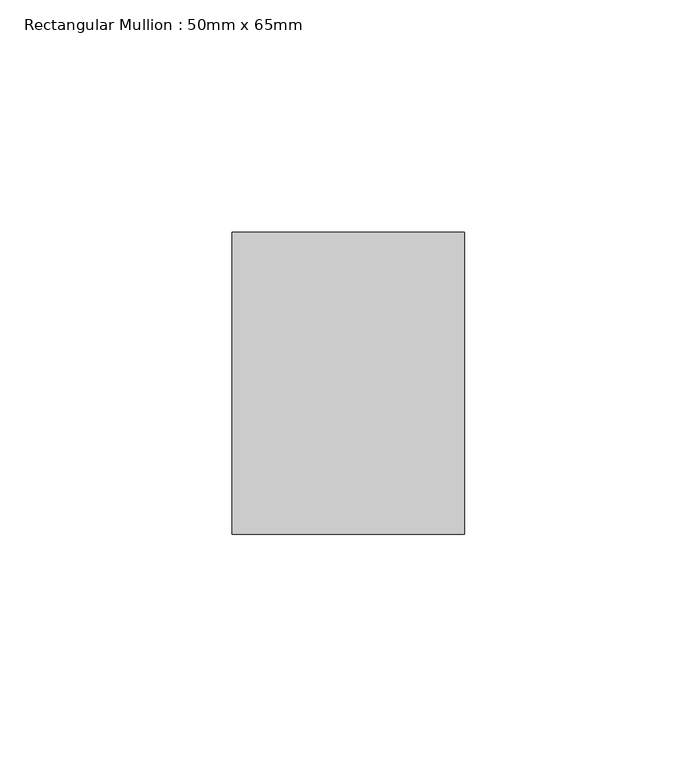
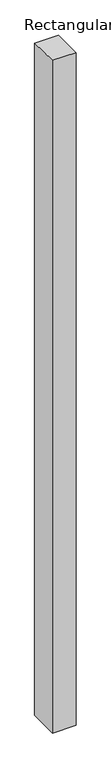
"""IFC4 building model written with IfcOpenShell, lengths in millimetres: member geometry, Rectangular Mullion : 50mm x 65mm."""

from ifc_helpers import new_model, si_unit, frame, origin, place, context, project, spatial, polyline, outline, extrude, source, transform, mapped, element, save


def rectangular_mullion_50mm_x_65mm_dea25757(model_context):
    return source(origin(), model_context, "Body", "SweptSolid", [
        extrude(outline(polyline([(-32.5, 0.305725), (32.5, -0.3057248), (32.5, -1499.797801), (-32.5, -1500.2032794), (-32.5, 0.305725)])), frame((-25.0, 0.0, 0.0), z_axis=(1.0, 0.0, 0.0), x_axis=(0.0, 1.0, 0.0)), (0.0, 0.0, 1.0), 50.0),
    ])


if __name__ == "__main__":
    model = new_model("IFC4")
    model_context = context("Model", 3, world=origin())
    ifc_project = project(units=[si_unit("LENGTHUNIT", "METRE", prefix="MILLI")], contexts=[model_context])
    site = spatial("IfcSite", under=ifc_project)
    building = spatial("IfcBuilding", under=site)
    placement = place(None, origin())
    rectangular_mullion_50mm_x_65mm_shape = rectangular_mullion_50mm_x_65mm_dea25757(model_context)
    element("IfcMember", 1, ObjectType="Rectangular Mullion : 50mm x 65mm", at=placement, inside=building, context=model_context, shape_type="MappedRepresentation", body=[
        mapped(rectangular_mullion_50mm_x_65mm_shape, transform((0.0, 0.0, 0.0), x_axis=(1.0, 0.0, 0.0), y_axis=(0.0, 1.0, 0.0), z_axis=(0.0, 0.0, 1.0))),
    ])
    save(model, "model.ifc")
